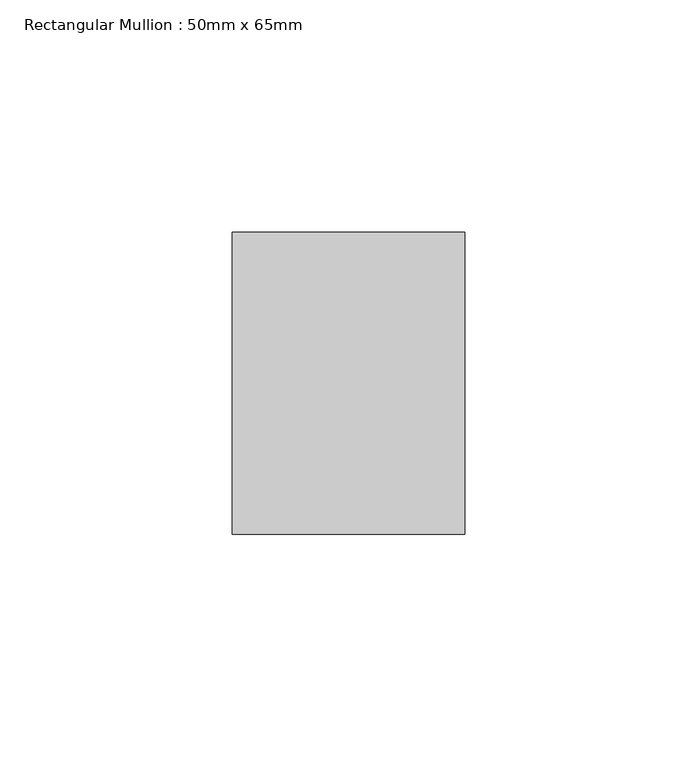
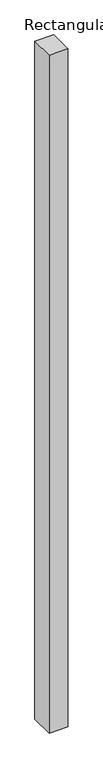
"""IFC4 building model written with IfcOpenShell, lengths in millimetres: member geometry, Rectangular Mullion : 50mm x 65mm."""

from ifc_helpers import new_model, si_unit, frame, origin, place, context, project, spatial, polyline, outline, extrude, source, transform, mapped, element, save


def rectangular_mullion_50mm_x_65mm_8d672b48(model_context):
    return source(origin(), model_context, "Body", "SweptSolid", [
        extrude(outline(polyline([(25.0, 32.5), (25.0, -32.5), (-25.0, -32.5), (-25.0, 32.5), (25.0, 32.5)])), frame((0.0, 0.0, -1897.7015193), z_axis=(0.0, 0.0, 1.0), x_axis=(1.0, 0.0, 0.0)), (0.0, 0.0, 1.0), 1897.7015193),
    ])


if __name__ == "__main__":
    model = new_model("IFC4")
    model_context = context("Model", 3, world=origin())
    ifc_project = project(units=[si_unit("LENGTHUNIT", "METRE", prefix="MILLI")], contexts=[model_context])
    site = spatial("IfcSite", under=ifc_project)
    building = spatial("IfcBuilding", under=site)
    placement = place(None, origin())
    rectangular_mullion_50mm_x_65mm_shape = rectangular_mullion_50mm_x_65mm_8d672b48(model_context)
    element("IfcMember", 1, ObjectType="Rectangular Mullion : 50mm x 65mm", at=placement, inside=building, context=model_context, shape_type="MappedRepresentation", body=[
        mapped(rectangular_mullion_50mm_x_65mm_shape, transform((0.0, 0.0, 0.0), x_axis=(1.0, 0.0, 0.0), y_axis=(0.0, 1.0, 0.0), z_axis=(0.0, 0.0, 1.0))),
    ])
    save(model, "model.ifc")
